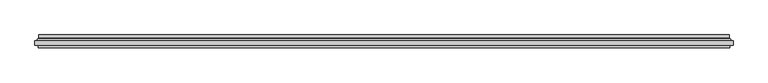
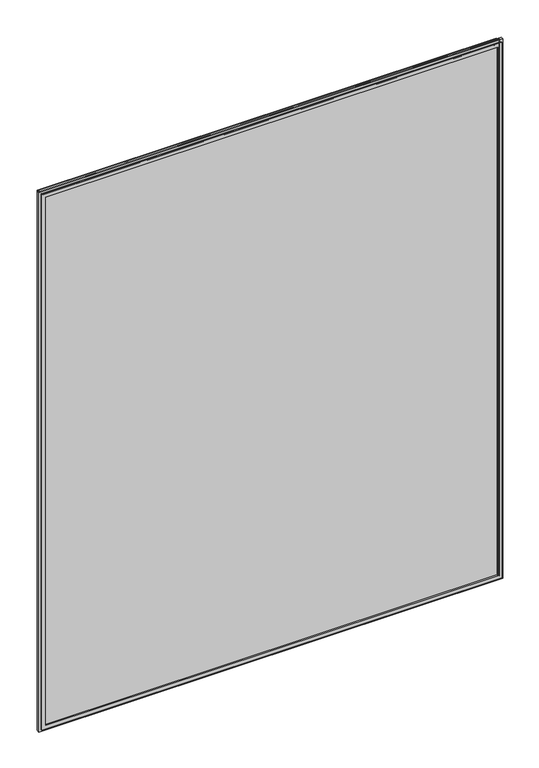
"""IFC4 building model written with IfcOpenShell, lengths in millimetres: plate geometry."""

from ifc_helpers import new_model, si_unit, frame, origin, place, context, project, spatial, polyline, ellipse_curve, outline, extrude, source, transform, mapped, element, save
from ifc_brep_helpers import plane_surface, cylinder_surface, revolved_surface, advanced_brep


def plate_9b104682(model_context):
    return source(origin(), model_context, "Body", "SolidModel", [
        advanced_brep(
        [(-587.5000001, 4.8968153, 19.5), (587.5000001, 4.8968153, 19.5), (587.5000001, 11.0, 19.5), (-587.5000001, 11.0, 19.5), (587.5000001, 4.8968153, 1469.5000002), (587.5000001, 11.0, 1469.5000002), (-587.5000001, 4.8968153, 1469.5000002), (-587.5000001, 11.0, 1469.5000002), (-597.6737948, 1.0, 9.3262053), (597.6737948, 1.0, 9.3262053), (597.6737948, 1.0, 1479.6737949), (-597.6737948, 1.0, 1479.6737949), (587.2225564, 1.0, 19.7774437), (-587.2225564, 1.0, 19.7774437), (-587.2225564, 1.0, 1469.2225565), (587.2225564, 1.0, 1469.2225565), (596.5000001, 11.0, 10.5), (-596.5000001, 11.0, 10.5), (-596.5000001, 11.0, 1478.5000002), (596.5000001, 11.0, 1478.5000002), (596.5000001, 5.9174454, 10.5), (-596.5000001, 5.9174454, 10.5), (596.5000001, 5.9174454, 1478.5000002), (-596.5000001, 5.9174454, 1478.5000002), (-586.5765978, 3.2113072, 20.4234023), (586.5765978, 3.2113072, 20.4234023), (-598.0737753, 3.96339, 8.9262248), (598.0737753, 3.96339, 8.9262248), (586.5765978, 3.2113072, 1468.5765979), (598.0737753, 3.96339, 1480.0737755), (-586.5765978, 3.2113072, 1468.5765979), (-598.0737753, 3.96339, 1480.0737755)],
        [
            (0, 1),
            (1, 2),
            (2, 3),
            (3, 0),
            (1, 4),
            (4, 5),
            (5, 2),
            (4, 6),
            (6, 7),
            (7, 5),
            (8, 9),
            (9, 10),
            (10, 11),
            (11, 8),
            (12, 13),
            (13, 14),
            (14, 15),
            (15, 12),
            (16, 17),
            (17, 18),
            (18, 19),
            (19, 16),
            (7, 3),
            (6, 0),
            (16, 20),
            (20, 21),
            (21, 17),
            (19, 22),
            (22, 20),
            (18, 23),
            (23, 22),
            (21, 23),
            (24, 25),
            (25, 1, ellipse_curve(frame((585.5000001, 4.8968153, 21.5), z_axis=(0.7071067811865475, 0.0, 0.7071067811865475), x_axis=(0.7071067811865476, 0.0, -0.7071067811865474)), 2.8284271, 2.0)),
            (0, 24, ellipse_curve(frame((-585.5000001, 4.8968153, 21.5), z_axis=(-0.7071067811865475, 0.0, 0.7071067811865475), x_axis=(0.7071067811865476, 0.0, 0.7071067811865474)), 2.8284271, 2.0)),
            (12, 25, ellipse_curve(frame((587.2225564, 2.2000024, 19.7774437), z_axis=(-0.7071067811865475, 0.0, -0.7071067811865475), x_axis=(-0.7071067811865476, 0.0, 0.7071067811865474)), 1.6970563, 1.2)),
            (24, 13, ellipse_curve(frame((-587.2225564, 2.2000024, 19.7774437), z_axis=(0.7071067811865475, 0.0, -0.7071067811865475), x_axis=(-0.7071067811865476, 0.0, -0.7071067811865474)), 1.6970563, 1.2)),
            (26, 27),
            (27, 9, ellipse_curve(frame((597.7541068, 2.4978485, 9.2458934), z_axis=(-0.7071067811865475, 0.0, -0.7071067811865475), x_axis=(-0.7071067811865476, 0.0, 0.7071067811865474)), 2.1213203, 1.5)),
            (8, 26, ellipse_curve(frame((-597.7541068, 2.4978485, 9.2458934), z_axis=(0.7071067811865475, 0.0, -0.7071067811865475), x_axis=(-0.7071067811865476, 0.0, -0.7071067811865474)), 2.1213203, 1.5)),
            (20, 27, ellipse_curve(frame((598.5000001, 5.9174454, 8.5), z_axis=(0.7071067811865475, 0.0, 0.7071067811865475), x_axis=(0.7071067811865476, 0.0, -0.7071067811865474)), 2.8284271, 2.0)),
            (26, 21, ellipse_curve(frame((-598.5000001, 5.9174454, 8.5), z_axis=(-0.7071067811865475, 0.0, 0.7071067811865475), x_axis=(0.7071067811865476, 0.0, 0.7071067811865474)), 2.8284271, 2.0)),
            (25, 28),
            (28, 4, ellipse_curve(frame((585.5000001, 4.8968153, 1467.5000002), z_axis=(-0.7071067811865475, 0.0, 0.7071067811865475), x_axis=(0.7071067811865474, 0.0, 0.7071067811865476)), 2.8284271, 2.0)),
            (15, 28, ellipse_curve(frame((587.2225564, 2.2000024, 1469.2225565), z_axis=(0.7071067811865475, 0.0, -0.7071067811865475), x_axis=(-0.7071067811865474, 0.0, -0.7071067811865476)), 1.6970563, 1.2)),
            (27, 29),
            (29, 10, ellipse_curve(frame((597.7541068, 2.4978485, 1479.7541069), z_axis=(0.7071067811865475, 0.0, -0.7071067811865475), x_axis=(-0.7071067811865474, 0.0, -0.7071067811865476)), 2.1213203, 1.5)),
            (22, 29, ellipse_curve(frame((598.5000001, 5.9174454, 1480.5000002), z_axis=(-0.7071067811865475, 0.0, 0.7071067811865475), x_axis=(0.7071067811865474, 0.0, 0.7071067811865476)), 2.8284271, 2.0)),
            (28, 30),
            (30, 6, ellipse_curve(frame((-585.5000001, 4.8968153, 1467.5000002), z_axis=(-0.7071067811865475, 0.0, -0.7071067811865475), x_axis=(-0.7071067811865476, 0.0, 0.7071067811865474)), 2.8284271, 2.0)),
            (14, 30, ellipse_curve(frame((-587.2225564, 2.2000024, 1469.2225565), z_axis=(0.7071067811865475, 0.0, 0.7071067811865475), x_axis=(0.7071067811865476, 0.0, -0.7071067811865474)), 1.6970563, 1.2)),
            (29, 31),
            (31, 11, ellipse_curve(frame((-597.7541068, 2.4978485, 1479.7541069), z_axis=(0.7071067811865475, 0.0, 0.7071067811865475), x_axis=(0.7071067811865476, 0.0, -0.7071067811865474)), 2.1213203, 1.5)),
            (23, 31, ellipse_curve(frame((-598.5000001, 5.9174454, 1480.5000002), z_axis=(-0.7071067811865475, 0.0, -0.7071067811865475), x_axis=(-0.7071067811865476, 0.0, 0.7071067811865474)), 2.8284271, 2.0)),
            (30, 24),
            (31, 26),
        ],
        [
            plane_surface(frame((-587.5000001, 11.0, 19.5), z_axis=(0.0, 0.0, 1.0), x_axis=(1.0, 0.0, 0.0))),
            plane_surface(frame((587.5000001, 11.0, 19.5), z_axis=(-1.0, 0.0, 0.0), x_axis=(0.0, 0.0, 1.0))),
            plane_surface(frame((587.5000001, 11.0, 1469.5000002), z_axis=(0.0, 0.0, -1.0), x_axis=(-1.0, 0.0, 0.0))),
            plane_surface(frame((-587.2225564, 1.0, 1469.2225565), z_axis=(0.0, -1.0, 0.0), x_axis=(0.0, 0.0, -1.0))),
            plane_surface(frame((-596.5000001, 11.0, 1478.5000002), z_axis=(0.0, 1.0, 0.0), x_axis=(0.0, 0.0, -1.0))),
            plane_surface(frame((-587.5000001, 11.0, 1469.5000002), z_axis=(1.0, 0.0, 0.0), x_axis=(0.0, 0.0, -1.0))),
            plane_surface(frame((-596.5000001, 5.9174454, 10.5), z_axis=(0.0, 0.0, -1.0), x_axis=(1.0, 0.0, 0.0))),
            plane_surface(frame((596.5000001, 5.9174454, 10.5), z_axis=(1.0, 0.0, 0.0), x_axis=(0.0, 0.0, 1.0))),
            plane_surface(frame((596.5000001, 5.9174454, 1478.5000002), z_axis=(0.0, 0.0, 1.0), x_axis=(-1.0, 0.0, 0.0))),
            plane_surface(frame((-596.5000001, 5.9174454, 1478.5000002), z_axis=(-1.0, 0.0, 0.0), x_axis=(0.0, 0.0, -1.0))),
            revolved_surface(polyline([(587.5000001, 2.8968153, 21.5), (-587.5000001, 2.8968153, 21.5)]), (-607.0000001, 4.8968153, 21.5), (1.0, 0.0, 0.0)),
            cylinder_surface(frame((-607.0000001, 2.2000024, 19.7774437), z_axis=(-1.0, 0.0, 0.0), x_axis=(0.0, -1.0, 0.0)), 1.2),
            cylinder_surface(frame((-607.0000001, 2.4978485, 9.2458934), z_axis=(-1.0, 0.0, 0.0), x_axis=(0.0, -1.0, 0.0)), 1.5),
            revolved_surface(polyline([(600.5000000825017, 3.9174454, 8.5), (-600.5000000825017, 3.9174454, 8.5)]), (-607.0000001, 5.9174454, 8.5), (1.0, 0.0, 0.0)),
            revolved_surface(polyline([(585.5000001, 2.8968153, 1469.5000002), (585.5000001, 2.8968153, 19.5)]), (585.5000001, 4.8968153, 0.0), (0.0, 0.0, 1.0)),
            cylinder_surface(frame((587.2225564, 2.2000024, 0.0), z_axis=(0.0, 0.0, -1.0), x_axis=(0.0, -1.0, 0.0)), 1.2),
            cylinder_surface(frame((597.7541068, 2.4978485, 0.0), z_axis=(0.0, 0.0, -1.0), x_axis=(0.0, -1.0, 0.0)), 1.5),
            revolved_surface(polyline([(598.5000001, 3.9174454, 1482.5000001825017), (598.5000001, 3.9174454, 6.500000017498199)]), (598.5000001, 5.9174454, 0.0), (0.0, 0.0, 1.0)),
            revolved_surface(polyline([(-587.5000001, 2.8968153, 1467.5000002), (587.5000001, 2.8968153, 1467.5000002)]), (607.0000001, 4.8968153, 1467.5000002), (-1.0, 0.0, 0.0)),
            cylinder_surface(frame((607.0000001, 2.2000024, 1469.2225565), z_axis=(1.0, 0.0, 0.0), x_axis=(0.0, -1.0, 0.0)), 1.2),
            cylinder_surface(frame((607.0000001, 2.4978485, 1479.7541069), z_axis=(1.0, 0.0, 0.0), x_axis=(0.0, -1.0, 0.0)), 1.5),
            revolved_surface(polyline([(-600.5000000825017, 3.9174454, 1480.5000002), (600.5000000825017, 3.9174454, 1480.5000002)]), (607.0000001, 5.9174454, 1480.5000002), (-1.0, 0.0, 0.0)),
            revolved_surface(polyline([(-585.5000001, 2.8968153, 19.5), (-585.5000001, 2.8968153, 1469.5000002)]), (-585.5000001, 4.8968153, 1489.0000002), (0.0, 0.0, -1.0)),
            cylinder_surface(frame((-587.2225564, 2.2000024, 1489.0000002), z_axis=(0.0, 0.0, 1.0), x_axis=(0.0, -1.0, 0.0)), 1.2),
            cylinder_surface(frame((-597.7541068, 2.4978485, 1489.0000002), z_axis=(0.0, 0.0, 1.0), x_axis=(0.0, -1.0, 0.0)), 1.5),
            revolved_surface(polyline([(-598.5000001, 3.9174454, 6.500000017498223), (-598.5000001, 3.9174454, 1482.5000001825017)]), (-598.5000001, 5.9174454, 1489.0000002), (0.0, 0.0, -1.0)),
        ],
        [
            (0, [[1, 2, 3, 4]]),
            (1, [[5, 6, 7, -2]]),
            (2, [[8, 9, 10, -6]]),
            (3, [[11, 12, 13, 14], [15, 16, 17, 18]]),
            (4, [[19, 20, 21, 22], [-3, -7, -10, 23]]),
            (5, [[24, -4, -23, -9]]),
            (6, [[-19, 25, 26, 27]]),
            (7, [[-22, 28, 29, -25]]),
            (8, [[-21, 30, 31, -28]]),
            (9, [[-20, -27, 32, -30]]),
            (10, [[33, 34, -1, 35]]),
            (11, [[-15, 36, -33, 37]]),
            (12, [[38, 39, -11, 40]]),
            (13, [[-26, 41, -38, 42]]),
            (14, [[43, 44, -5, -34]]),
            (15, [[-18, 45, -43, -36]]),
            (16, [[46, 47, -12, -39]]),
            (17, [[-29, 48, -46, -41]]),
            (18, [[49, 50, -8, -44]]),
            (19, [[-17, 51, -49, -45]]),
            (20, [[52, 53, -13, -47]]),
            (21, [[-31, 54, -52, -48]]),
            (22, [[55, -35, -24, -50]]),
            (23, [[-16, -37, -55, -51]]),
            (24, [[56, -40, -14, -53]]),
            (25, [[-32, -42, -56, -54]]),
        ],
    ),
        extrude(outline(polyline([(9.5, -597.5000001), (9.5, 597.5000001), (1479.5000002, 597.5000001), (1479.5000002, -597.5000001), (9.5, -597.5000001)]), holes=[polyline([(19.5, 587.5000001), (19.5, -587.5000001), (1469.5000002, -587.5000001), (1469.5000002, 587.5000001), (19.5, 587.5000001)])]), frame((0.0, -11.0, 0.0), z_axis=(0.0, 1.0, 0.0), x_axis=(0.0, 0.0, 1.0)), (0.0, 0.0, 1.0), 4.0),
        extrude(outline(polyline([(-603.0000001, -7.0), (-603.0000001, 1.0), (603.0000001, 1.0), (603.0000001, -7.0), (-603.0000001, -7.0)])), frame((0.0, 0.0, 4.0), z_axis=(0.0, 0.0, 1.0), x_axis=(1.0, 0.0, 0.0)), (0.0, 0.0, 1.0), 1481.0000002),
    ])


if __name__ == "__main__":
    model = new_model("IFC4")
    model_context = context("Model", 3, world=origin())
    ifc_project = project(units=[si_unit("LENGTHUNIT", "METRE", prefix="MILLI")], contexts=[model_context])
    site = spatial("IfcSite", under=ifc_project)
    building = spatial("IfcBuilding", under=site)
    placement = place(None, origin())
    plate_shape = plate_9b104682(model_context)
    element("IfcPlate", 1, at=placement, inside=building, context=model_context, shape_type="MappedRepresentation", body=[
        mapped(plate_shape, transform((0.0, 0.0, 0.0), x_axis=(1.0, 0.0, 0.0), y_axis=(0.0, 1.0, 0.0), z_axis=(0.0, 0.0, 1.0))),
    ])
    save(model, "model.ifc")
